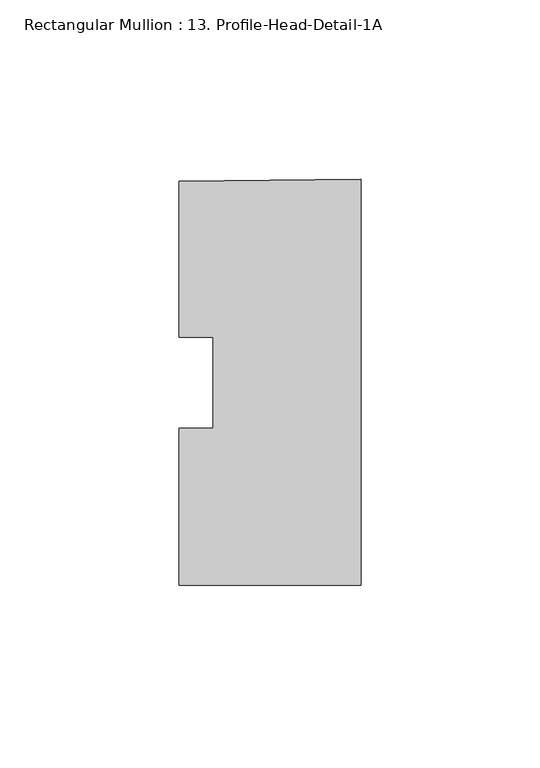
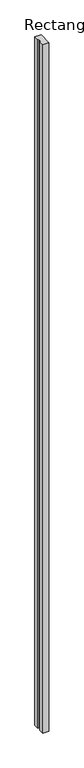
"""IFC4 building model written with IfcOpenShell, lengths in millimetres: member geometry, Rectangular Mullion : 13. Profile-Head-Detail-1A."""

from ifc_helpers import new_model, si_unit, frame, origin, place, context, project, spatial, polyline, outline, extrude, source, transform, mapped, element, save


def rectangular_mullion_13_profile_head_detail_1a_5e519dff(model_context):
    return source(origin(), model_context, "Body", "SweptSolid", [
        extrude(outline(polyline([(0.0, 32.9245409), (0.0, -80.4506774), (-50.8, -80.4507409), (-50.8, -36.665407), (-41.275, -36.665407), (-41.275, -11.1777086), (-50.8, -11.1777086), (-50.8, 32.255533), (0.0, 32.9245409)])), frame((0.0, 0.0, -6032.5), z_axis=(0.0, 0.0, 1.0), x_axis=(1.0, 0.0, 0.0)), (0.0, 0.0, 1.0), 6032.5),
    ])


if __name__ == "__main__":
    model = new_model("IFC4")
    model_context = context("Model", 3, world=origin())
    ifc_project = project(units=[si_unit("LENGTHUNIT", "METRE", prefix="MILLI")], contexts=[model_context])
    site = spatial("IfcSite", under=ifc_project)
    building = spatial("IfcBuilding", under=site)
    placement = place(None, origin())
    rectangular_mullion_13_profile_head_detail_1a_shape = rectangular_mullion_13_profile_head_detail_1a_5e519dff(model_context)
    element("IfcMember", 1, ObjectType="Rectangular Mullion : 13. Profile-Head-Detail-1A", at=placement, inside=building, context=model_context, shape_type="MappedRepresentation", body=[
        mapped(rectangular_mullion_13_profile_head_detail_1a_shape, transform((0.0, 0.0, 0.0), x_axis=(1.0, 0.0, 0.0), y_axis=(0.0, 1.0, 0.0), z_axis=(0.0, 0.0, 1.0))),
    ])
    save(model, "model.ifc")
